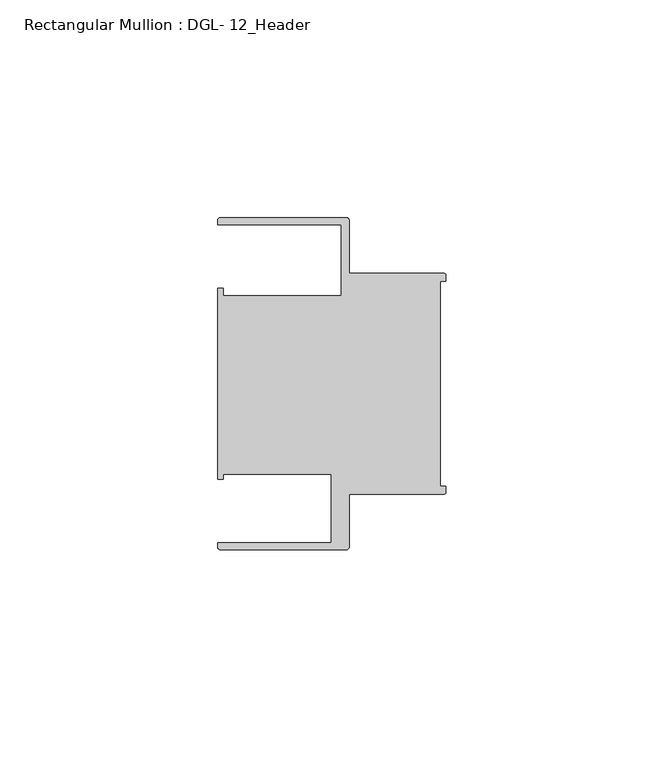
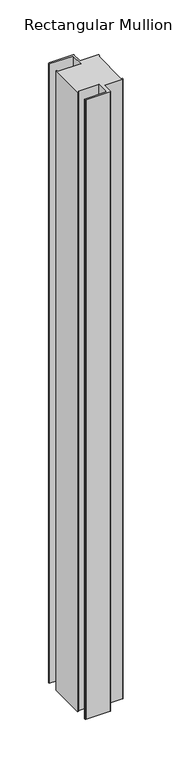
"""IFC4 building model written with IfcOpenShell, lengths in millimetres: member geometry, Rectangular Mullion : DGL- 12_Header."""

from ifc_helpers import new_model, si_unit, point, frame, frame_2d, origin, place, context, project, spatial, polyline, circle_curve, trimmed, segment, composite_curve, outline, extrude, source, transform, mapped, element, save


def rectangular_mullion_dgl_12_header_82547edd(model_context):
    return source(origin(), model_context, "Body", "SweptSolid", [
        extrude(outline(composite_curve([segment(trimmed(circle_curve(frame_2d((-0.5953125, 24.8046875)), 0.5953125), [point((-0.5953125, 25.4))], [point((0.0, 24.8046875))], False, "CARTESIAN"), True, "CONTINUOUS"), segment(polyline([(0.0, 24.8046875), (0.0, 23.4882401), (-1.30175, 23.4882401), (-1.30175, -23.4882401), (0.0, -23.4882401), (0.0, -24.8046875)]), True, "CONTINUOUS"), segment(trimmed(circle_curve(frame_2d((-0.5953125, -24.8046875)), 0.5953125), [point((0.0, -24.8046875))], [point((-0.5953125, -25.4))], False, "CARTESIAN"), True, "CONTINUOUS"), segment(polyline([(-0.5953125, -25.4), (-22.2332076, -25.4), (-22.2332076, -37.5047035)]), True, "CONTINUOUS"), segment(trimmed(circle_curve(frame_2d((-22.8285201, -37.5047035)), 0.5953125), [point((-22.2332076, -37.5047035))], [point((-22.8285201, -38.100016))], False, "CARTESIAN"), True, "CONTINUOUS"), segment(polyline([(-22.8285201, -38.100016), (-51.7968699, -38.100016)]), True, "CONTINUOUS"), segment(trimmed(circle_curve(frame_2d((-51.7968699, -37.5047035)), 0.5953125), [point((-51.7968699, -38.100016))], [point((-52.3921824, -37.5047035))], False, "CARTESIAN"), True, "CONTINUOUS"), segment(polyline([(-52.3921824, -37.5047035), (-52.3921824, -36.512516), (-26.3720794, -36.512516), (-26.3720794, -20.8257348), (-51.1280305, -20.8257348), (-51.1280305, -21.9710976), (-52.3948122, -21.9710976), (-52.3948122, 21.9710976), (-51.1280305, 21.9710976), (-51.1280305, 20.1823589), (-24.0747075, 20.1823589), (-24.0747075, 36.5123462), (-52.3921824, 36.5123462), (-52.3921824, 37.5043667)]), True, "CONTINUOUS"), segment(trimmed(circle_curve(frame_2d((-51.7968699, 37.5043667)), 0.5953125), [point((-52.3921824, 37.5043667))], [point((-51.7968699, 38.0996792))], False, "CARTESIAN"), True, "CONTINUOUS"), segment(polyline([(-51.7968699, 38.0996792), (-22.8285201, 38.0996792)]), True, "CONTINUOUS"), segment(trimmed(circle_curve(frame_2d((-22.8285201, 37.5043667)), 0.5953125), [point((-22.8285201, 38.0996792))], [point((-22.2332076, 37.5043667))], False, "CARTESIAN"), True, "CONTINUOUS"), segment(polyline([(-22.2332076, 37.5043667), (-22.2332076, 25.4), (-0.5953125, 25.4)]), True, "CONTINUOUS")], self_intersect=False)), frame((0.0, 0.0, -778.9333333), z_axis=(0.0, 0.0, 1.0), x_axis=(1.0, 0.0, 0.0)), (0.0, 0.0, 1.0), 778.9333333),
    ])


if __name__ == "__main__":
    model = new_model("IFC4")
    model_context = context("Model", 3, world=origin())
    ifc_project = project(units=[si_unit("LENGTHUNIT", "METRE", prefix="MILLI")], contexts=[model_context])
    site = spatial("IfcSite", under=ifc_project)
    building = spatial("IfcBuilding", under=site)
    placement = place(None, origin())
    rectangular_mullion_dgl_12_header_shape = rectangular_mullion_dgl_12_header_82547edd(model_context)
    element("IfcMember", 1, ObjectType="Rectangular Mullion : DGL- 12_Header", at=placement, inside=building, context=model_context, shape_type="MappedRepresentation", body=[
        mapped(rectangular_mullion_dgl_12_header_shape, transform((0.0, 0.0, 0.0), x_axis=(1.0, 0.0, 0.0), y_axis=(0.0, 1.0, 0.0), z_axis=(0.0, 0.0, 1.0))),
    ])
    save(model, "model.ifc")
